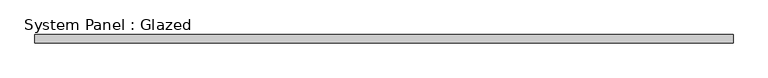
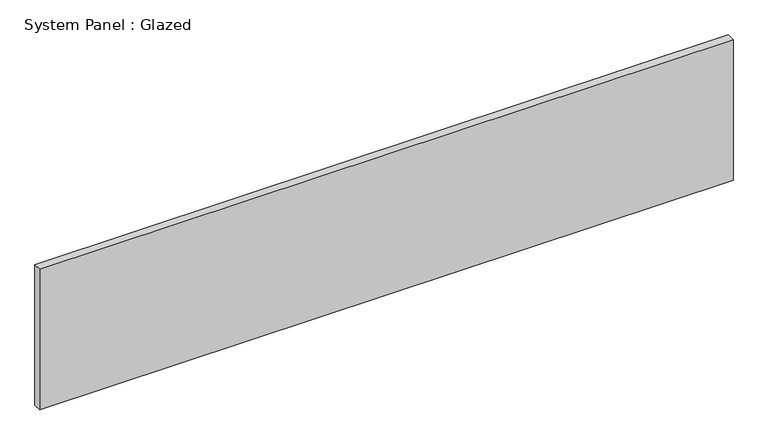
"""IFC4 building model written with IfcOpenShell, lengths in millimetres: plate geometry, System Panel : Glazed."""

from ifc_helpers import new_model, si_unit, origin, origin_with_axes, place, context, project, spatial, polyline, outline, extrude, source, transform, mapped, element, save


def system_panel_glazed_ccb20944(model_context):
    return source(origin(), model_context, "Body", "SweptSolid", [
        extrude(outline(polyline([(1066.8, -44.45), (-1066.8, -44.45), (-1066.8, -19.05), (1066.8, -19.05), (1066.8, -44.45)])), origin_with_axes(), (0.0, 0.0, 1.0), 457.2),
    ])


if __name__ == "__main__":
    model = new_model("IFC4")
    model_context = context("Model", 3, world=origin())
    ifc_project = project(units=[si_unit("LENGTHUNIT", "METRE", prefix="MILLI")], contexts=[model_context])
    site = spatial("IfcSite", under=ifc_project)
    building = spatial("IfcBuilding", under=site)
    placement = place(None, origin())
    system_panel_glazed_shape = system_panel_glazed_ccb20944(model_context)
    element("IfcPlate", 1, ObjectType="System Panel : Glazed", at=placement, inside=building, context=model_context, shape_type="MappedRepresentation", body=[
        mapped(system_panel_glazed_shape, transform((0.0, 0.0, 0.0), x_axis=(1.0, 0.0, 0.0), y_axis=(0.0, 1.0, 0.0), z_axis=(0.0, 0.0, 1.0))),
    ])
    save(model, "model.ifc")
